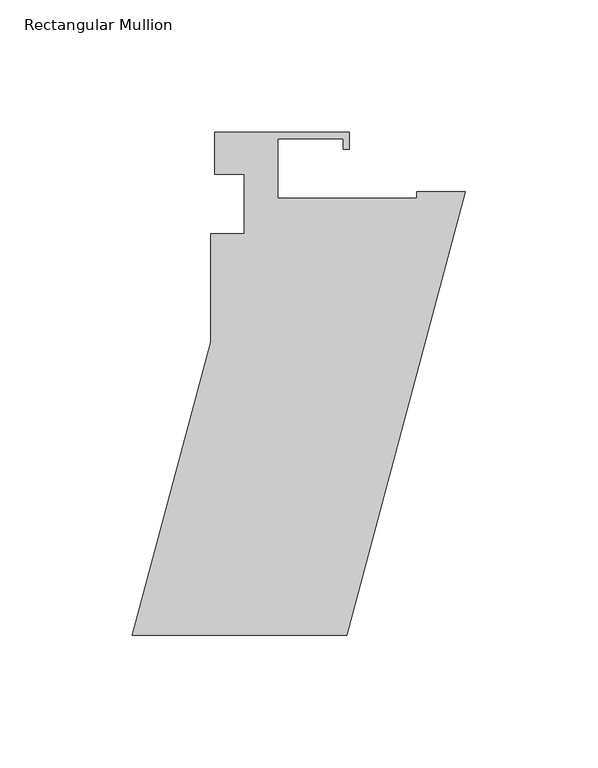
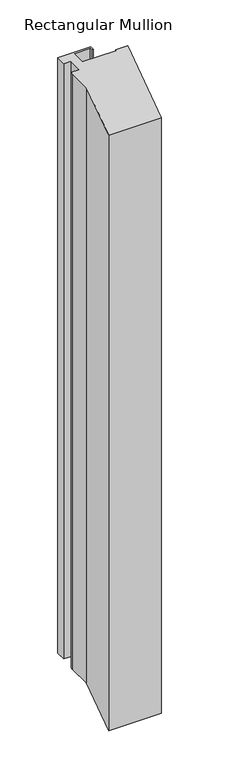
"""IFC4 building model written with IfcOpenShell, lengths in millimetres: member geometry, Rectangular Mullion."""

from ifc_helpers import new_model, si_unit, frame, origin, place, context, project, spatial, polyline, outline, extrude, source, transform, mapped, element, save


def rectangular_mullion_947b73aa(model_context):
    return source(origin(), model_context, "Body", "SweptSolid", [
        extrude(outline(polyline([(-43.8882963, 20.8256188), (-43.8882963, 14.4756188), (-46.2504963, 14.4756188), (-46.2504963, 18.4634188), (-70.8630963, 18.4634188), (-70.8630963, -4.0409812), (-18.4882963, -4.0409812), (-18.4882963, -1.6533812), (0.0, -1.6533812), (-44.9194564, -169.2950748), (-125.9248093, -169.2950748), (-96.2630963, -58.5960549), (-96.2630963, -21.2875813), (-96.2630963, -17.5283813), (-83.5757963, -17.5283812), (-83.5757963, 4.9506188), (-94.6882963, 4.9506187), (-94.6882963, 20.8256187), (-43.8882963, 20.8256188)])), frame((0.0, 0.0, -970.0617188), z_axis=(0.0, 0.0, 1.0), x_axis=(1.0, 0.0, 0.0)), (0.0, 0.0, 1.0), 970.0617188),
    ])


if __name__ == "__main__":
    model = new_model("IFC4")
    model_context = context("Model", 3, world=origin())
    ifc_project = project(units=[si_unit("LENGTHUNIT", "METRE", prefix="MILLI")], contexts=[model_context])
    site = spatial("IfcSite", under=ifc_project)
    building = spatial("IfcBuilding", under=site)
    placement = place(None, origin())
    rectangular_mullion_shape = rectangular_mullion_947b73aa(model_context)
    element("IfcMember", 1, ObjectType="Rectangular Mullion", at=placement, inside=building, context=model_context, shape_type="MappedRepresentation", body=[
        mapped(rectangular_mullion_shape, transform((0.0, 0.0, 0.0), x_axis=(1.0, 0.0, 0.0), y_axis=(0.0, 1.0, 0.0), z_axis=(0.0, 0.0, 1.0))),
    ])
    save(model, "model.ifc")
